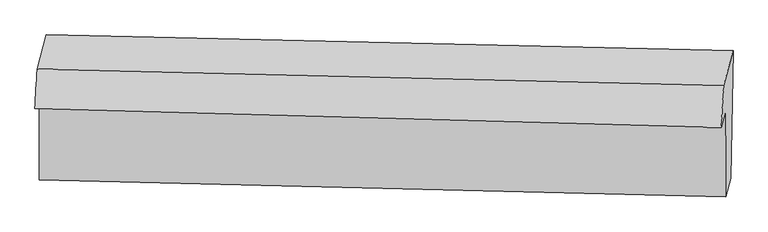
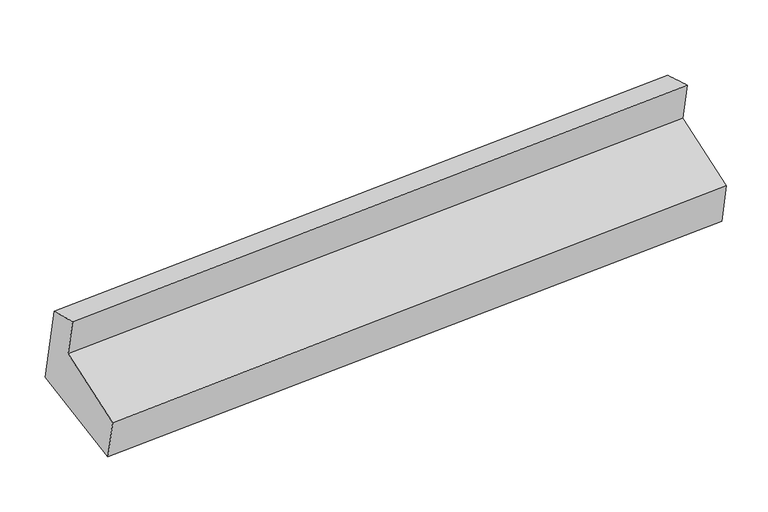
"""IFC4 building model written with IfcOpenShell, lengths in millimetres: proxy geometry."""

from ifc_helpers import new_model, si_unit, frame, origin, place, context, project, spatial, source, transform, mapped, element, save
from ifc_brep_helpers import plane_surface, spline_surface, advanced_brep


def generic_models_d9f92250(model_context):
    return source(origin(), model_context, "Body", "AdvancedBrep", [
        advanced_brep(
        [(-5246.2044275, -927.6893565, 1381.6459342), (-5312.7423777, -1170.6700557, 2114.1097145), (-453.0787126, -1287.1959756, 2485.1877057), (-385.6817398, -1041.0783309, 1743.267623), (-5263.2913734, -1830.9414301, 1259.7937314), (-403.6277084, -1947.46735, 1630.8717226), (-5297.696881, -1956.5821246, 1638.5368101), (-438.8922385, -2076.24499, 2019.0711036), (-5295.8507484, -1333.6242414, 1845.3587499), (-437.0742313, -1462.777692, 2222.7421703), (-5328.0041091, -1451.0406338, 2199.3097218), (-470.0866146, -1583.3310298, 2586.1494445)],
        [
            (0, 1),
            (1, 2),
            (2, 3),
            (3, 0),
            (4, 0),
            (3, 5),
            (5, 4),
            (6, 4),
            (5, 7),
            (7, 6),
            (8, 6),
            (7, 9),
            (9, 8),
            (10, 8),
            (9, 11),
            (11, 10),
            (1, 10),
            (11, 2),
        ],
        [
            plane_surface(frame((-5279.4734026, -1049.1797061, 1747.8778244), z_axis=(-0.0012747833162423498, 0.9491724858032946, 0.3147538198679902), x_axis=(-0.08590226415161839, -0.31369454789252454, 0.9456302298658447))),
            spline_surface(1, 1, [[(-5263.2913734, -1830.9414301, 1259.7937314), (-403.6277084, -1947.46735, 1630.8717226)], [(-5246.2044275, -927.6893565, 1381.6459342), (-385.6817398, -1041.0783309, 1743.267623)]], [2, 2], [2, 2], [0.0, 1.0], [0.0, 1.0]),
            plane_surface(frame((-5280.4941272, -1893.7617774, 1449.1652708), z_axis=(0.0012747833162420098, -0.9491724858032949, -0.3147538198679894), x_axis=(0.08590226415161827, 0.3136945478925237, -0.945630229865845))),
            plane_surface(frame((-5296.7738147, -1645.103183, 1741.94778), z_axis=(-0.08181425143670998, -0.3138138594833089, 0.9459531118707952), x_axis=(-0.002812530184592802, -0.9490585209070874, -0.3150873110228534))),
            plane_surface(frame((-5311.9274288, -1392.3324376, 2022.3342359), z_axis=(-0.0007688664528190461, -0.9491175003428557, -0.31492122727327726), x_axis=(0.08590226415159619, 0.3136945478925257, -0.9456302298658463))),
            spline_surface(1, 1, [[(-5312.7423777, -1170.6700557, 2114.1097145), (-453.0787126, -1287.1959756, 2485.1877057)], [(-5328.0041091, -1451.0406338, 2199.3097218), (-470.0866146, -1583.3310298, 2586.1494445)]], [2, 2], [2, 2], [0.0, 1.0], [0.0, 1.0]),
            plane_surface(frame((-431.4068742, -1566.349228, 2114.5482949), z_axis=(0.9962995988594929, -0.029726326987269375, 0.08064400037361483), x_axis=(-0.002812530184592802, -0.9490585209070874, -0.3150873110228534))),
            plane_surface(frame((-5290.6316528, -1445.091307, 1739.7924437), z_axis=(-0.9962995988594929, 0.029726326987277993, -0.08064400037361112), x_axis=(0.08590226415161746, 0.3136945478925245, -0.9456302298658448))),
        ],
        [
            (0, [[1, 2, 3, 4]]),
            (1, [[5, -4, 6, 7]]),
            (2, [[8, -7, 9, 10]]),
            (3, [[11, -10, 12, 13]]),
            (4, [[14, -13, 15, 16]]),
            (5, [[17, -16, 18, -2]]),
            (6, [[-12, -9, -6, -3, -18, -15]]),
            (7, [[-1, -5, -8, -11, -14, -17]]),
        ],
    ),
    ])


if __name__ == "__main__":
    model = new_model("IFC4")
    model_context = context("Model", 3, world=origin())
    ifc_project = project(units=[si_unit("LENGTHUNIT", "METRE", prefix="MILLI")], contexts=[model_context])
    site = spatial("IfcSite", under=ifc_project)
    building = spatial("IfcBuilding", under=site)
    placement = place(None, origin())
    generic_models_shape = generic_models_d9f92250(model_context)
    element("IfcBuildingElementProxy", 1, Name="Generic Models", at=placement, inside=building, context=model_context, shape_type="MappedRepresentation", body=[
        mapped(generic_models_shape, transform((0.0, 0.0, 0.0), x_axis=(1.0, 0.0, 0.0), y_axis=(0.0, 1.0, 0.0), z_axis=(0.0, 0.0, 1.0))),
    ])
    save(model, "model.ifc")
